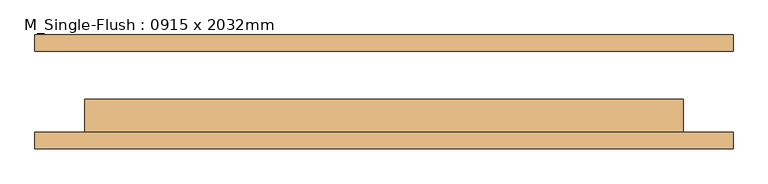
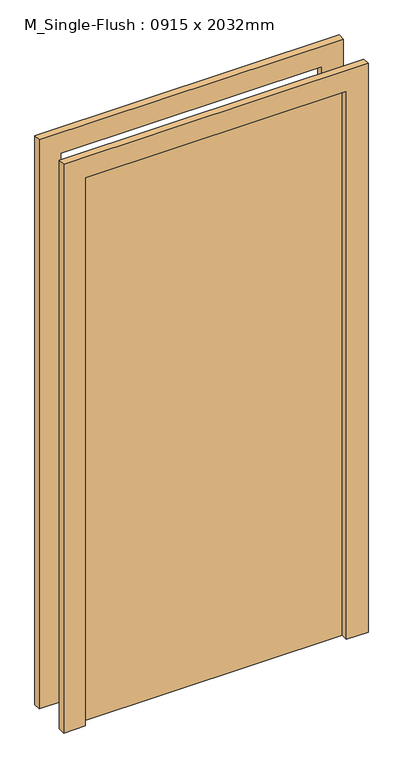
"""IFC4 building model written with IfcOpenShell, lengths in millimetres: door geometry, M_Single-Flush : 0915 x 2032mm."""

from ifc_helpers import new_model, si_unit, frame, origin, origin_with_axes, place, context, project, spatial, polyline, outline, extrude, source, transform, mapped, element, save


def m_single_flush_0915_x_2032mm_54a83eaf(model_context):
    return source(origin(), model_context, "Body", "SweptSolid", [
        extrude(outline(polyline([(2108.0, -533.5), (0.0, -533.5), (0.0, -457.5), (2032.0, -457.5), (2032.0, 457.5), (0.0, 457.5), (0.0, 533.5), (2108.0, 533.5), (2108.0, -533.5)])), frame((0.0, -87.0, 0.0), z_axis=(0.0, 1.0, 0.0), x_axis=(0.0, 0.0, 1.0)), (0.0, 0.0, 1.0), 25.0),
        extrude(outline(polyline([(2108.0, 533.5), (2108.0, -533.5), (0.0, -533.5), (0.0, -457.5), (2032.0, -457.5), (2032.0, 457.5), (0.0, 457.5), (0.0, 533.5), (2108.0, 533.5)])), frame((0.0, 62.0, 0.0), z_axis=(0.0, 1.0, 0.0), x_axis=(0.0, 0.0, 1.0)), (0.0, 0.0, 1.0), 25.0),
        extrude(outline(polyline([(457.5, -11.0), (457.5, -62.0), (-457.5, -62.0), (-457.5, -11.0), (457.5, -11.0)])), origin_with_axes(), (0.0, 0.0, 1.0), 2032.0),
    ])


if __name__ == "__main__":
    model = new_model("IFC4")
    model_context = context("Model", 3, world=origin())
    ifc_project = project(units=[si_unit("LENGTHUNIT", "METRE", prefix="MILLI")], contexts=[model_context])
    site = spatial("IfcSite", under=ifc_project)
    building = spatial("IfcBuilding", under=site)
    placement = place(None, origin())
    m_single_flush_0915_x_2032mm_shape = m_single_flush_0915_x_2032mm_54a83eaf(model_context)
    element("IfcDoor", 1, ObjectType="M_Single-Flush : 0915 x 2032mm", at=placement, inside=building, context=model_context, shape_type="MappedRepresentation", body=[
        mapped(m_single_flush_0915_x_2032mm_shape, transform((0.0, 0.0, 0.0), x_axis=(1.0, 0.0, 0.0), y_axis=(0.0, 1.0, 0.0), z_axis=(0.0, 0.0, 1.0))),
    ])
    save(model, "model.ifc")
